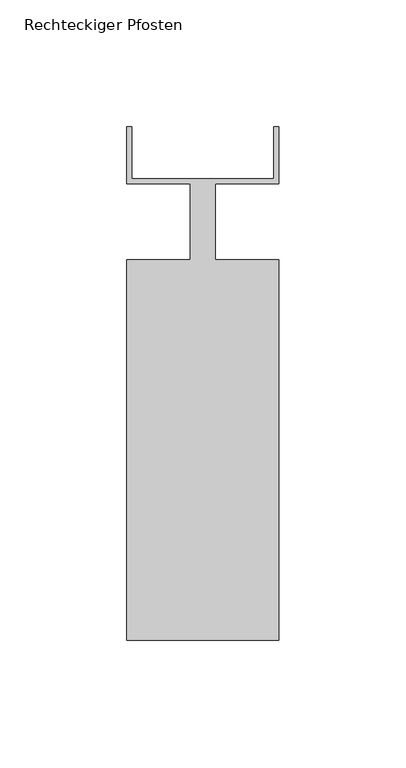
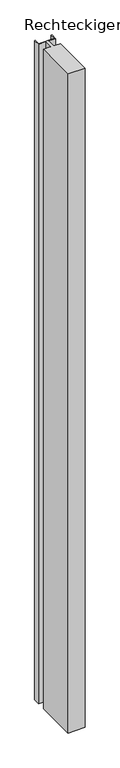
"""IFC4 building model written with IfcOpenShell, lengths in millimetres: member geometry, Rechteckiger Pfosten."""

from ifc_helpers import new_model, si_unit, frame, origin, place, context, project, spatial, polyline, outline, extrude, source, transform, mapped, element, save


def rechteckiger_pfosten_702cc8ec(model_context):
    return source(origin(), model_context, "Body", "SweptSolid", [
        extrude(outline(polyline([(-58.0, 37.5), (-58.0, 17.0), (-2.0, 17.0), (-2.0, 37.5), (0.0, 37.5), (0.0, 15.0), (-25.0, 15.0), (-25.0, -15.0), (0.0, -15.0), (0.0, -165.0), (-60.0, -165.0), (-60.0, -15.0), (-35.0, -15.0), (-35.0, 15.0), (-60.0, 15.0), (-60.0, 37.5), (-58.0, 37.5)])), frame((0.0, 0.0, -2439.9999997), z_axis=(0.0, 0.0, 1.0), x_axis=(1.0, 0.0, 0.0)), (0.0, 0.0, 1.0), 2439.9999997),
    ])


if __name__ == "__main__":
    model = new_model("IFC4")
    model_context = context("Model", 3, world=origin())
    ifc_project = project(units=[si_unit("LENGTHUNIT", "METRE", prefix="MILLI")], contexts=[model_context])
    site = spatial("IfcSite", under=ifc_project)
    building = spatial("IfcBuilding", under=site)
    placement = place(None, origin())
    rechteckiger_pfosten_shape = rechteckiger_pfosten_702cc8ec(model_context)
    element("IfcMember", 1, ObjectType="Rechteckiger Pfosten", at=placement, inside=building, context=model_context, shape_type="MappedRepresentation", body=[
        mapped(rechteckiger_pfosten_shape, transform((0.0, 0.0, 0.0), x_axis=(1.0, 0.0, 0.0), y_axis=(0.0, 1.0, 0.0), z_axis=(0.0, 0.0, 1.0))),
    ])
    save(model, "model.ifc")
